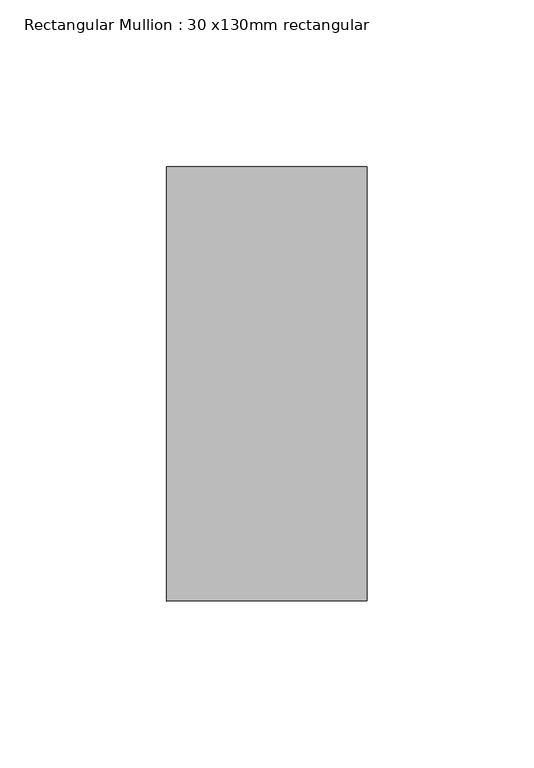
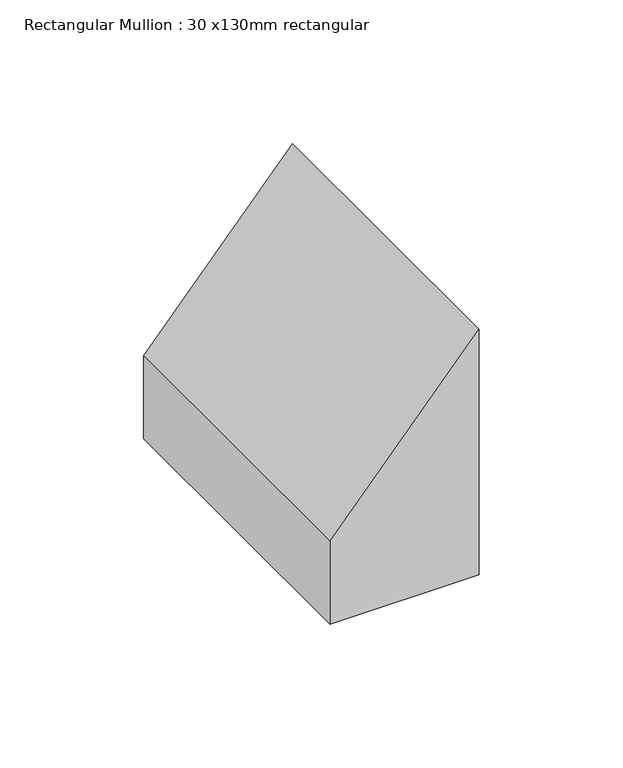
"""IFC4 building model written with IfcOpenShell, lengths in millimetres: member geometry, Rectangular Mullion : 30 x130mm rectangular."""

from ifc_helpers import new_model, si_unit, frame, origin, place, context, project, spatial, polyline, outline, extrude, source, transform, mapped, element, save


def rectangular_mullion_30_x130mm_rectangular_bf900aa4(model_context):
    return source(origin(), model_context, "Body", "SweptSolid", [
        extrude(outline(polyline([(-57.0104977, 30.0), (-126.2925301, -30.0), (-161.5629547, -30.0), (-161.5629547, 30.0), (-57.0104977, 30.0)])), frame((0.0, -65.0, 0.0), z_axis=(0.0, 1.0, 0.0), x_axis=(0.0, 0.0, 1.0)), (0.0, 0.0, 1.0), 130.0),
    ])


if __name__ == "__main__":
    model = new_model("IFC4")
    model_context = context("Model", 3, world=origin())
    ifc_project = project(units=[si_unit("LENGTHUNIT", "METRE", prefix="MILLI")], contexts=[model_context])
    site = spatial("IfcSite", under=ifc_project)
    building = spatial("IfcBuilding", under=site)
    placement = place(None, origin())
    rectangular_mullion_30_x130mm_rectangular_shape = rectangular_mullion_30_x130mm_rectangular_bf900aa4(model_context)
    element("IfcMember", 1, ObjectType="Rectangular Mullion : 30 x130mm rectangular", at=placement, inside=building, context=model_context, shape_type="MappedRepresentation", body=[
        mapped(rectangular_mullion_30_x130mm_rectangular_shape, transform((0.0, 0.0, 0.0), x_axis=(1.0, 0.0, 0.0), y_axis=(0.0, 1.0, 0.0), z_axis=(0.0, 0.0, 1.0))),
    ])
    save(model, "model.ifc")
